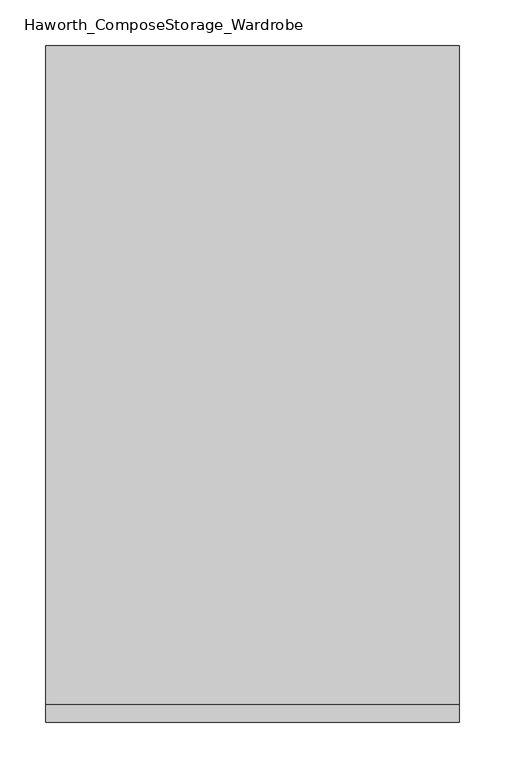
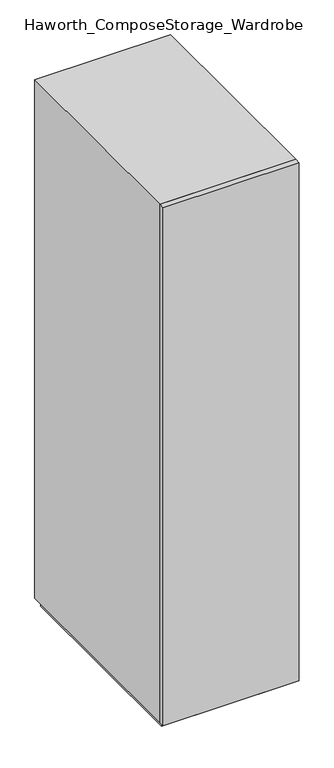
"""IFC4 building model written with IfcOpenShell, lengths in millimetres: furniture geometry, Haworth_ComposeStorage_Wardrobe."""

from ifc_helpers import new_model, si_unit, frame, origin, origin_with_axes, place, context, project, spatial, polyline, outline, extrude, faceted_brep, source, transform, mapped, element, save


def haworth_composestorage_wardrobe_0092bd57(model_context):
    return source(origin(), model_context, "Body", "SolidModel", [
        extrude(outline(polyline([(227.0263906, -381.0), (-226.9986094, -381.0), (-226.9986094, -361.95), (227.0263906, -361.95), (227.0263906, -381.0)])), frame((0.0, 0.0, 25.4), z_axis=(0.0, 0.0, 1.0), x_axis=(1.0, 0.0, 0.0)), (0.0, 0.0, 1.0), 1828.8),
        faceted_brep([(-226.9986094, -361.95, 25.4), (227.0263906, -361.95, 25.4), (227.0263906, -361.95, 1854.2), (-226.9986094, -361.95, 1854.2), (-207.9486094, -361.95, 44.45), (-207.9486094, -361.95, 1835.15), (207.9486094, -361.95, 1835.15), (207.9486094, -361.95, 44.45), (-226.9986094, 361.95, 25.4), (-226.9986094, 361.95, 1854.2), (227.0263906, 361.95, 1854.2), (227.0263906, 361.95, 25.4), (-207.9486094, 342.9, 44.45), (-207.9486094, 342.9, 1835.15), (207.9486094, 342.9, 1835.15), (207.9486094, 342.9, 44.45)], [[[0, 1, 2, 3], [4, 5, 6, 7]], [[8, 9, 10, 11]], [[1, 0, 8, 11]], [[2, 1, 11, 10]], [[3, 2, 10, 9]], [[0, 3, 9, 8]], [[5, 4, 12, 13]], [[6, 5, 13, 14]], [[7, 6, 14, 15]], [[4, 7, 15, 12]], [[13, 12, 15, 14]]]),
        extrude(outline(polyline([(214.3263906, -349.25), (-214.2986094, -349.25), (-214.2986094, 349.25), (214.3263906, 349.25), (214.3263906, -349.25)])), origin_with_axes(), (0.0, 0.0, 1.0), 25.4),
    ])


if __name__ == "__main__":
    model = new_model("IFC4")
    model_context = context("Model", 3, world=origin())
    ifc_project = project(units=[si_unit("LENGTHUNIT", "METRE", prefix="MILLI")], contexts=[model_context])
    site = spatial("IfcSite", under=ifc_project)
    building = spatial("IfcBuilding", under=site)
    placement = place(None, origin())
    haworth_composestorage_wardrobe_shape = haworth_composestorage_wardrobe_0092bd57(model_context)
    element("IfcFurniture", 1, ObjectType="Haworth_ComposeStorage_Wardrobe", at=placement, inside=building, context=model_context, shape_type="MappedRepresentation", body=[
        mapped(haworth_composestorage_wardrobe_shape, transform((0.0, 0.0, 0.0), x_axis=(1.0, 0.0, 0.0), y_axis=(0.0, 1.0, 0.0), z_axis=(0.0, 0.0, 1.0))),
    ])
    save(model, "model.ifc")
